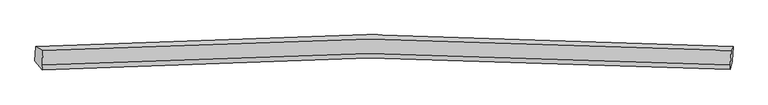
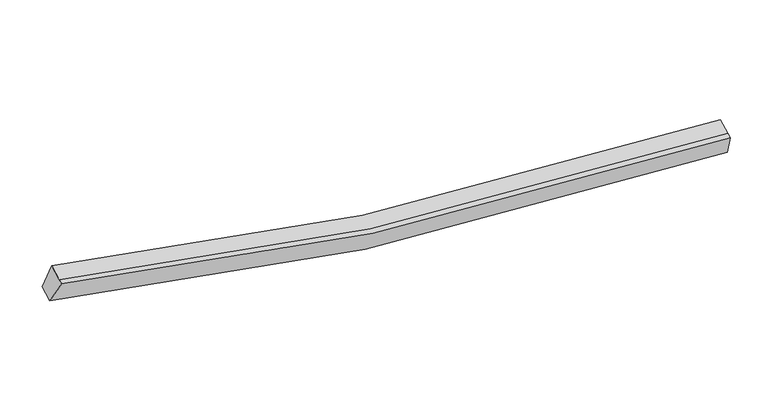
"""IFC4 building model written with IfcOpenShell, lengths in millimetres: proxy geometry."""

from ifc_helpers import new_model, si_unit, frame, origin, place, context, project, spatial, source, transform, mapped, element, save
from ifc_brep_helpers import plane_surface, spline_curve, spline_surface, advanced_brep


def generic_models_6eb4df9d(model_context):
    return source(origin(), model_context, "Body", "AdvancedBrep", [
        advanced_brep(
        [(-9738.9822508, -1862.994992, 4345.3503687), (-9520.2080085, -1983.8727098, 5015.5856421), (10827.3374961, -1973.6700337, 2593.6429326), (10885.799203, -1852.5538544, 1891.074777), (-9539.8299828, -2409.8068462, 4844.1970982), (10807.7155219, -2399.6041701, 2422.2543887), (-9546.2348282, -2548.8368071, 4788.2538419), (10801.3106764, -2538.634131, 2366.3111324), (-9758.7207264, -2291.4580246, 4172.9442406), (10866.0607273, -2281.0168869, 1718.6686489)],
        [
            (0, 1),
            (1, 2, spline_curve(3, [(-9520.2080085, -1983.8727098, 5015.5856421), (-6328.088041483, -1761.53785841, 4114.970619224), (-3105.810356082, -1645.119296126, 3460.633632902), (3671.442063594, -1623.235218819, 2610.342032144), (7231.679546893, -1736.252888613, 2457.364782875), (10827.3374961, -1973.6700337, 2593.6429326)], [4, 2, 4], [0.0, 32.60208612088861, 67.93449817893004])),
            (2, 3),
            (3, 0, spline_curve(3, [(10885.799203, -1852.5538544, 1891.074777), (7240.176123498, -1611.523416639, 1751.53730766), (3630.96278039, -1496.793212694, 1905.86573378), (-3238.554637953, -1519.039190659, 2767.619985821), (-6504.268446149, -1637.249774397, 3431.383423356), (-9738.9822508, -1862.994992, 4345.3503687)], [4, 2, 4], [0.0, 35.332412058041434, 67.93449817893004])),
            (1, 4),
            (4, 5, spline_curve(3, [(-9539.8299828, -2409.8068462, 4844.1970982), (-6347.710016132, -2187.471994564, 3943.582074948), (-3125.432330611, -2071.053432649, 3289.24508889), (3651.820089751, -2049.169355086, 2438.953488364), (7212.057572871, -2162.187023997, 2285.976238129), (10807.7155219, -2399.6041701, 2422.2543887)], [4, 2, 4], [0.0, 32.38127240726279, 67.47437827216785])),
            (5, 2),
            (4, 6),
            (6, 7, spline_curve(3, [(-9546.2348282, -2548.8368071, 4788.2538419), (-6354.114861532, -2326.501955464, 3887.638818648), (-3131.837176111, -2210.083393549, 3233.30183259), (3645.415244251, -2188.199315986, 2383.010232064), (7205.652727371, -2301.216984897, 2230.032981829), (10801.3106764, -2538.634131, 2366.3111324)], [4, 2, 4], [0.0, 32.381272407262784, 67.47437827216784])),
            (7, 5),
            (6, 8),
            (8, 9, spline_curve(3, [(-9758.7207264, -2291.4580246, 4172.9442406), (-6524.006921749, -2065.712806997, 3258.977295256), (-3258.293113653, -1947.502223259, 2595.213857821), (3611.22430469, -1925.256245294, 1733.45960578), (7220.437647798, -2039.986449139, 1579.13117956), (10866.0607273, -2281.0168869, 1718.6686489)], [4, 2, 4], [0.0, 32.60208612088861, 67.93449817893004])),
            (9, 7),
            (8, 0),
            (3, 9),
        ],
        [
            spline_surface(3, 3, [[(-9738.9822508, -1862.994992, 4345.3503687), (-6504.268446333, -1637.249774732, 3431.383423312), (-3238.554637884, -1519.039191067, 2767.619985515), (3630.962780315, -1496.793212251, 1905.865734112), (7240.176123177, -1611.523416771, 1751.537308013), (10885.799203, -1852.5538544, 1891.074777)], [(-9666.05750338, -1903.287564573, 4568.762126492), (-6445.541644866, -1678.679135983, 3659.245821832), (-3194.306544018, -1561.065892943, 2998.624534487), (3644.455874849, -1538.940547595, 2140.691166919), (7237.343930966, -1653.09990723, 1986.813132842), (10866.311967384, -1892.92591419, 2125.264162214)], [(-9593.13275592, -1943.580137227, 4792.173884308), (-6386.814843358, -1720.108497316, 3887.108220377), (-3150.0584502, -1603.092594781, 3229.629083517), (3657.948969334, -1581.087882901, 2375.516599784), (7234.511738703, -1694.676397617, 2222.08895763), (10846.824731716, -1933.29797391, 2359.453547386)], [(-9520.2080085, -1983.8727098, 5015.5856421), (-6328.08804189, -1761.537858567, 4114.970618897), (-3105.810356334, -1645.119296656, 3460.633632489), (3671.442063867, -1623.235218245, 2610.342032591), (7231.679546493, -1736.252888075, 2457.36478246), (10827.3374961, -1973.6700337, 2593.6429326)]], [4, 4], [4, 2, 4], [0.0, 2.346833496678485], [0.0, 32.60208612088861, 67.93449817893004]),
            spline_surface(3, 3, [[(-9520.2080085, -1983.8727098, 5015.5856421), (-6328.08804189, -1761.537858567, 4114.970618897), (-3105.810356334, -1645.119296656, 3460.633632489), (3671.442063867, -1623.235218245, 2610.342032591), (7231.679546493, -1736.252888075, 2457.36478246), (10827.3374961, -1973.6700337, 2593.6429326)], [(-9526.748666581, -2125.850755262, 4958.456127474), (-6334.628699971, -1903.515904029, 4057.841104271), (-3112.351014414, -1787.097342118, 3403.504117863), (3664.901405786, -1765.213263707, 2553.212517965), (7225.138888412, -1878.230933537, 2400.235267833), (10820.796838019, -2115.648079162, 2536.513417974)], [(-9533.289324719, -2267.828800738, 4901.326612826), (-6341.169358109, -2045.493949505, 4000.711589623), (-3118.891672453, -1929.075387594, 3346.374603215), (3658.360747748, -1907.191309183, 2496.083003317), (7218.598230373, -2020.208979014, 2343.105753186), (10814.256179981, -2257.626124638, 2479.383903326)], [(-9539.8299828, -2409.8068462, 4844.1970982), (-6347.71001619, -2187.471994967, 3943.582074997), (-3125.432330534, -2071.053433056, 3289.245088589), (3651.820089667, -2049.169354645, 2438.953488691), (7212.057572293, -2162.187024475, 2285.97623856), (10807.7155219, -2399.6041701, 2422.2543887)]], [4, 4], [4, 2, 4], [0.0, 1.5076840612297802], [0.0, 32.38127240726279, 67.47437827216785]),
            spline_surface(3, 3, [[(-9539.8299828, -2409.8068462, 4844.1970982), (-6347.71001619, -2187.471994967, 3943.582074997), (-3125.432330534, -2071.053433056, 3289.245088589), (3651.820089667, -2049.169354645, 2438.953488691), (7212.057572293, -2162.187024475, 2285.97623856), (10807.7155219, -2399.6041701, 2422.2543887)], [(-9541.96493128, -2456.150166503, 4825.549346102), (-6349.844964671, -2233.81531527, 3924.934322899), (-3127.567279014, -2117.396753359, 3270.597336491), (3649.685141187, -2095.512674948, 2420.305736593), (7209.922623812, -2208.530344778, 2267.328486462), (10805.58057342, -2445.947490403, 2403.606636602)], [(-9544.09987972, -2502.493486797, 4806.901593998), (-6351.97991311, -2280.158635564, 3906.286570795), (-3129.702227553, -2163.740073653, 3251.949584386), (3647.550192648, -2141.855995242, 2401.657984488), (7207.787675273, -2254.873665073, 2248.680734357), (10803.44562488, -2492.290810697, 2384.958884498)], [(-9546.2348282, -2548.8368071, 4788.2538419), (-6354.11486159, -2326.501955867, 3887.638818697), (-3131.837176034, -2210.083393956, 3233.301832289), (3645.415244167, -2188.199315545, 2383.010232391), (7205.652726793, -2301.216985375, 2230.03298226), (10801.3106764, -2538.634131, 2366.3111324)]], [4, 4], [4, 2, 4], [0.0, 0.49212598425196796], [0.0, 32.381272407262784, 67.47437827216784]),
            spline_surface(3, 3, [[(-9546.2348282, -2548.8368071, 4788.2538419), (-6354.11486159, -2326.501955867, 3887.638818697), (-3131.837176034, -2210.083393956, 3233.301832289), (3645.415244167, -2188.199315545, 2383.010232391), (7205.652726793, -2301.216985375, 2230.03298226), (10801.3106764, -2538.634131, 2366.3111324)], [(-9617.063460949, -2463.043879625, 4583.15064148), (-6410.745548387, -2239.572239713, 3678.084977549), (-3173.98915523, -2122.556337178, 3020.605840689), (3634.018264304, -2100.551625298, 2166.493356956), (7210.581033674, -2214.140140014, 2013.065714802), (10822.894026686, -2452.761716307, 2150.430304558)], [(-9687.892093651, -2377.250952075, 4378.04744102), (-6467.376235136, -2152.642523485, 3468.53113636), (-3216.141134389, -2035.029280445, 2807.909849115), (3622.621284478, -2012.903935098, 1949.976481547), (7215.509340596, -2127.063294633, 1796.09844737), (10844.477377014, -2366.889301593, 1934.549476742)], [(-9758.7207264, -2291.4580246, 4172.9442406), (-6524.006921933, -2065.712807332, 3258.977295212), (-3258.293113584, -1947.502223667, 2595.213857515), (3611.224304615, -1925.256244851, 1733.459606112), (7220.437647477, -2039.986449271, 1579.131179913), (10866.0607273, -2281.0168869, 1718.6686489)]], [4, 4], [4, 2, 4], [0.0, 2.296556104326627], [0.0, 32.60208612088861, 67.93449817893004]),
            spline_surface(3, 3, [[(-9758.7207264, -2291.4580246, 4172.9442406), (-6524.006921933, -2065.712807332, 3258.977295212), (-3258.293113584, -1947.502223667, 2595.213857515), (3611.224304615, -1925.256244851, 1733.459606112), (7220.437647477, -2039.986449271, 1579.131179913), (10866.0607273, -2281.0168869, 1718.6686489)], [(-9752.141234509, -2148.637013738, 4230.412949952), (-6517.427430043, -1922.89179647, 3316.446004564), (-3251.713621694, -1804.681212805, 2652.682566867), (3617.803796506, -1782.435233989, 1790.928315464), (7227.017139368, -1897.16543841, 1636.599889265), (10872.640219191, -2138.195876038, 1776.137358252)], [(-9745.561742691, -2005.816002862, 4287.881659348), (-6510.847938224, -1780.070785594, 3373.914713961), (-3245.134129775, -1661.860201929, 2710.151276164), (3624.383288425, -1639.614223113, 1848.39702476), (7233.596631286, -1754.344427633, 1694.068598661), (10879.219711109, -1995.374865262, 1833.606067648)], [(-9738.9822508, -1862.994992, 4345.3503687), (-6504.268446333, -1637.249774732, 3431.383423312), (-3238.554637884, -1519.039191067, 2767.619985515), (3630.962780315, -1496.793212251, 1905.865734112), (7240.176123177, -1611.523416771, 1751.537308013), (10885.799203, -1852.5538544, 1891.074777)]], [4, 4], [4, 2, 4], [0.0, 1.5166356247883235], [0.0, 32.822900161327325, 68.39461876668761]),
            plane_surface(frame((10845.1270257, -2161.4687265, 2142.4243727), z_axis=(0.9947967302685757, -0.07400360665195907, 0.07002093722203956), x_axis=(0.09250007265515531, 0.36802463439937727, -0.9252035478931087))),
            plane_surface(frame((-9641.0364535, -2171.7906334, 4580.5335233), z_axis=(-0.9518578761847349, -0.07567800161460898, 0.2970512137943645), x_axis=(-0.04269896960984249, -0.9268664060573544, -0.37295504195087825))),
        ],
        [
            (0, [[1, 2, 3, 4]]),
            (1, [[5, 6, 7, -2]]),
            (2, [[8, 9, 10, -6]]),
            (3, [[11, 12, 13, -9]]),
            (4, [[14, -4, 15, -12]]),
            (5, [[-13, -15, -3, -7, -10]]),
            (6, [[-14, -11, -8, -5, -1]]),
        ],
    ),
    ])


if __name__ == "__main__":
    model = new_model("IFC4")
    model_context = context("Model", 3, world=origin())
    ifc_project = project(units=[si_unit("LENGTHUNIT", "METRE", prefix="MILLI")], contexts=[model_context])
    site = spatial("IfcSite", under=ifc_project)
    building = spatial("IfcBuilding", under=site)
    placement = place(None, origin())
    generic_models_shape = generic_models_6eb4df9d(model_context)
    element("IfcBuildingElementProxy", 1, Name="Generic Models", at=placement, inside=building, context=model_context, shape_type="MappedRepresentation", body=[
        mapped(generic_models_shape, transform((0.0, 0.0, 0.0), x_axis=(1.0, 0.0, 0.0), y_axis=(0.0, 1.0, 0.0), z_axis=(0.0, 0.0, 1.0))),
    ])
    save(model, "model.ifc")
